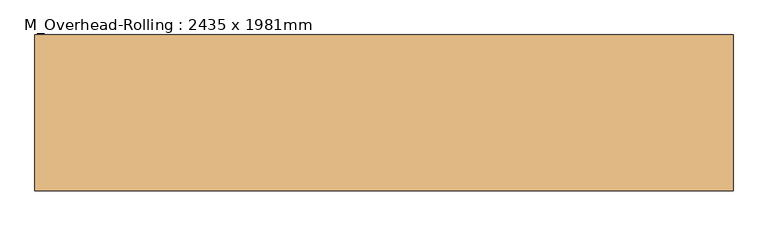
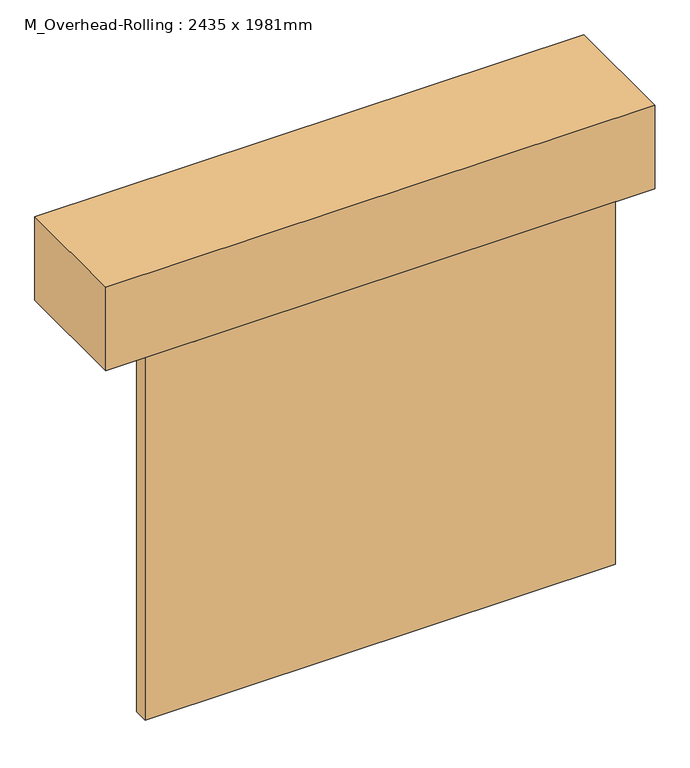
"""IFC4 building model written with IfcOpenShell, lengths in millimetres: door geometry, M_Overhead-Rolling : 2435 x 1981mm."""

from ifc_helpers import new_model, si_unit, frame, origin, origin_with_axes, place, context, project, spatial, polyline, outline, extrude, source, transform, mapped, element, save


def m_overhead_rolling_2435_x_1981mm_b8067bf9(model_context):
    return source(origin(), model_context, "Body", "SweptSolid", [
        extrude(outline(polyline([(1217.5, 155.0), (-1217.5, 155.0), (-1217.5, 231.0), (1217.5, 231.0), (1217.5, 155.0)])), origin_with_axes(), (0.0, 0.0, 1.0), 1981.0),
        extrude(outline(polyline([(1420.7, 789.8), (1420.7, 155.0), (-1420.7, 155.0), (-1420.7, 789.8), (1420.7, 789.8)])), frame((0.0, 0.0, 1981.0), z_axis=(0.0, 0.0, 1.0), x_axis=(1.0, 0.0, 0.0)), (0.0, 0.0, 1.0), 457.2),
    ])


if __name__ == "__main__":
    model = new_model("IFC4")
    model_context = context("Model", 3, world=origin())
    ifc_project = project(units=[si_unit("LENGTHUNIT", "METRE", prefix="MILLI")], contexts=[model_context])
    site = spatial("IfcSite", under=ifc_project)
    building = spatial("IfcBuilding", under=site)
    placement = place(None, origin())
    m_overhead_rolling_2435_x_1981mm_shape = m_overhead_rolling_2435_x_1981mm_b8067bf9(model_context)
    element("IfcDoor", 1, ObjectType="M_Overhead-Rolling : 2435 x 1981mm", at=placement, inside=building, context=model_context, shape_type="MappedRepresentation", body=[
        mapped(m_overhead_rolling_2435_x_1981mm_shape, transform((0.0, 0.0, 0.0), x_axis=(1.0, 0.0, 0.0), y_axis=(0.0, 1.0, 0.0), z_axis=(0.0, 0.0, 1.0))),
    ])
    save(model, "model.ifc")
